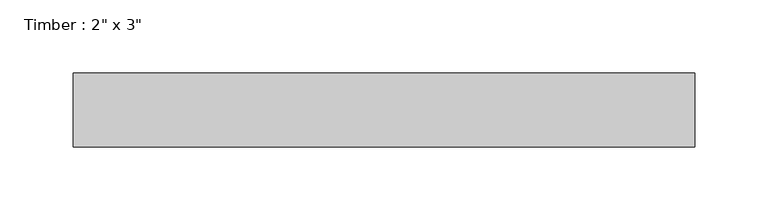
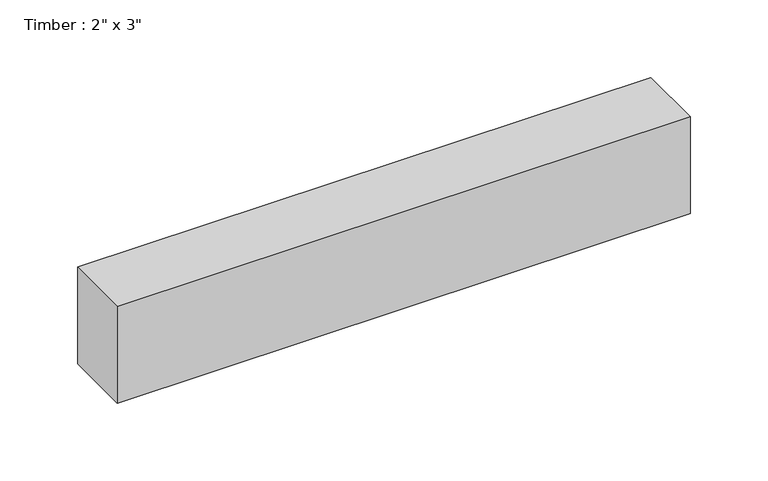
"""IFC4 building model written with IfcOpenShell, lengths in millimetres: beam geometry."""

from ifc_helpers import new_model, si_unit, frame, origin, place, context, project, spatial, polyline, outline, extrude, source, transform, mapped, element, save


def beam_911f8534(model_context):
    return source(origin(), model_context, "Body", "SweptSolid", [
        extrude(outline(polyline([(212.9487776, 25.4), (212.9487776, -25.4), (-212.9487776, -25.4), (-212.9487776, 25.4), (212.9487776, 25.4)])), frame((0.0, 0.0, -38.1), z_axis=(0.0, 0.0, 1.0), x_axis=(1.0, 0.0, 0.0)), (0.0, 0.0, 1.0), 76.2),
    ])


if __name__ == "__main__":
    model = new_model("IFC4")
    model_context = context("Model", 3, world=origin())
    ifc_project = project(units=[si_unit("LENGTHUNIT", "METRE", prefix="MILLI")], contexts=[model_context])
    site = spatial("IfcSite", under=ifc_project)
    building = spatial("IfcBuilding", under=site)
    placement = place(None, origin())
    beam_shape = beam_911f8534(model_context)
    element("IfcBeam", 1, ObjectType="Timber : 2\" x 3\"", at=placement, inside=building, context=model_context, shape_type="MappedRepresentation", body=[
        mapped(beam_shape, transform((0.0, 0.0, 0.0), x_axis=(1.0, 0.0, 0.0), y_axis=(0.0, 1.0, 0.0), z_axis=(0.0, 0.0, 1.0))),
    ])
    save(model, "model.ifc")
